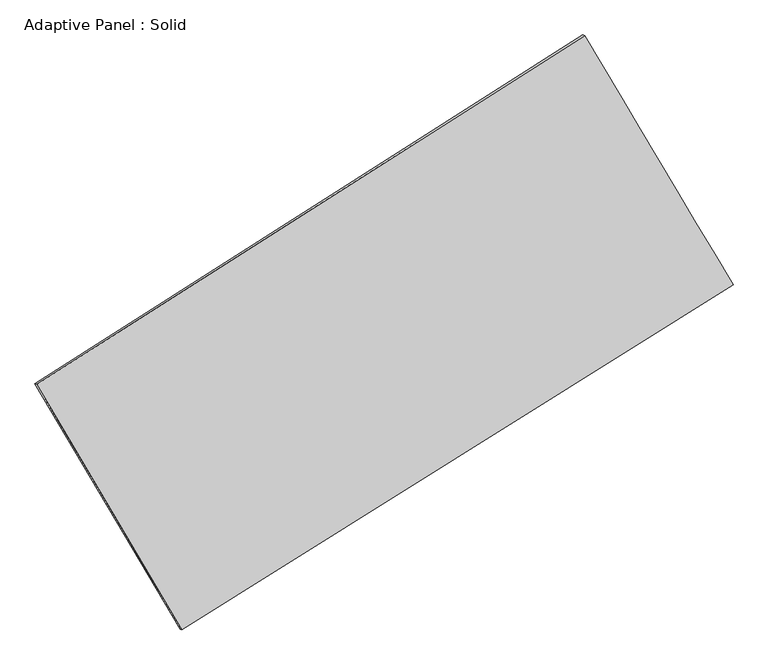
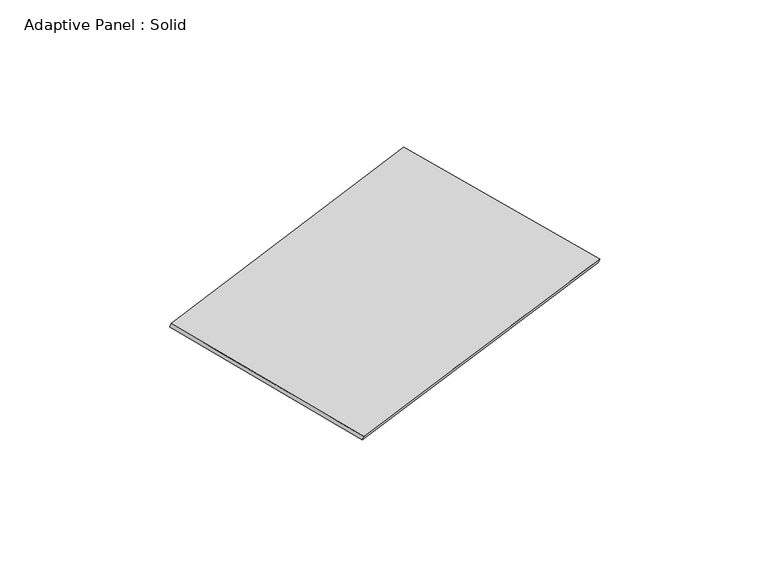
"""IFC4 building model written with IfcOpenShell, lengths in millimetres: plate geometry, Adaptive Panel : Solid."""

from ifc_helpers import new_model, si_unit, frame, origin, place, context, project, spatial, source, transform, mapped, element, save
from ifc_brep_helpers import plane_surface, spline_surface, advanced_brep


def adaptive_panel_solid_23ac093a(model_context):
    return source(origin(), model_context, "Body", "AdvancedBrep", [
        advanced_brep(
        [(1134.121847, 2552.5544744, 667.5664472), (-3742.618629, -551.8479435, 1776.1105624), (-3727.9522732, -558.2280369, 1823.4834704), (1148.7882028, 2546.1743809, 714.9393552), (-2450.2814495, -2735.4607671, 1064.9784761), (-2435.6150937, -2741.8408606, 1112.3513841), (2455.4876534, 334.5056633, -23.5329654), (2470.1540092, 328.1255699, 23.8399426)],
        [
            (0, 1),
            (1, 2),
            (2, 3),
            (3, 0),
            (1, 4),
            (4, 5),
            (5, 2),
            (4, 6),
            (6, 7),
            (7, 5),
            (6, 0),
            (3, 7),
        ],
        [
            plane_surface(frame((-1304.248391, 1000.3532654, 1221.8385048), z_axis=(-0.4756534831338628, 0.8402007373953819, 0.2604159842691704), x_axis=(-0.8284869225693572, -0.5273925931089469, 0.18832544136514512))),
            plane_surface(frame((-3096.4500393, -1643.6543553, 1420.5445192), z_axis=(-0.8195604242299098, -0.5438236873052616, 0.1804896344996006), x_axis=(0.4904228482019586, -0.8286487747540846, -0.26986411035933117))),
            plane_surface(frame((2.6031019, -1200.4775519, 520.7227553), z_axis=(0.4703594014747054, -0.8435421755844638, -0.2592269882836029), x_axis=(0.8330898542309864, 0.5213367837687998, -0.18484927012838803))),
            plane_surface(frame((1794.8047502, 1443.5300688, 322.0167409), z_axis=(0.8192936433397912, 0.5442729588561649, -0.1803465337647686), x_axis=(-0.4943921850727776, 0.8298882814705335, 0.25857650244530955))),
            spline_surface(1, 1, [[(-3727.9522732, -558.2280369, 1823.4834704), (1148.7882028, 2546.1743809, 714.9393552)], [(-2435.6150937, -2741.8408606, 1112.3513841), (2470.1540092, 328.1255699, 23.8399426)]], [2, 2], [2, 2], [0.0, 1.0], [0.0, 1.0]),
            spline_surface(1, 1, [[(2455.4876534, 334.5056633, -23.5329654), (1134.121847, 2552.5544744, 667.5664472)], [(-2450.2814495, -2735.4607671, 1064.9784761), (-3742.618629, -551.8479435, 1776.1105624)]], [2, 2], [2, 2], [0.0, 1.0], [0.0, 1.0]),
        ],
        [
            (0, [[1, 2, 3, 4]]),
            (1, [[5, 6, 7, -2]]),
            (2, [[8, 9, 10, -6]]),
            (3, [[11, -4, 12, -9]]),
            (4, [[-3, -7, -10, -12]]),
            (5, [[-11, -8, -5, -1]]),
        ],
    ),
    ])


if __name__ == "__main__":
    model = new_model("IFC4")
    model_context = context("Model", 3, world=origin())
    ifc_project = project(units=[si_unit("LENGTHUNIT", "METRE", prefix="MILLI")], contexts=[model_context])
    site = spatial("IfcSite", under=ifc_project)
    building = spatial("IfcBuilding", under=site)
    placement = place(None, origin())
    adaptive_panel_solid_shape = adaptive_panel_solid_23ac093a(model_context)
    element("IfcPlate", 1, ObjectType="Adaptive Panel : Solid", at=placement, inside=building, context=model_context, shape_type="MappedRepresentation", body=[
        mapped(adaptive_panel_solid_shape, transform((0.0, 0.0, 0.0), x_axis=(1.0, 0.0, 0.0), y_axis=(0.0, 1.0, 0.0), z_axis=(0.0, 0.0, 1.0))),
    ])
    save(model, "model.ifc")
